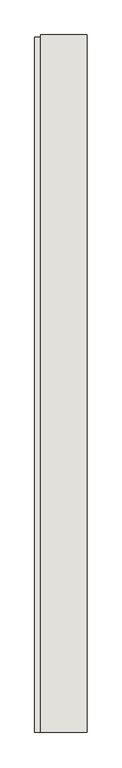
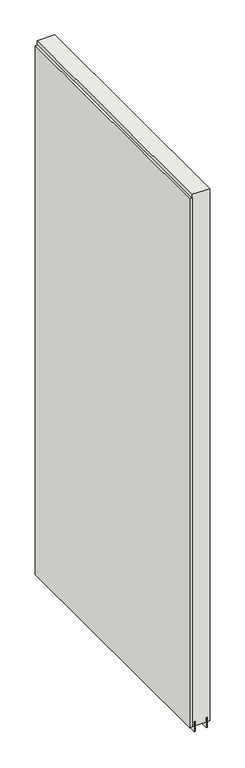
"""IFC4 building model written with IfcOpenShell, lengths in millimetres: wall geometry."""

from ifc_helpers import new_model, si_unit, frame, origin, place, context, project, spatial, polyline, outline, extrude, source, transform, mapped, element, save


def wall_36207bd6(model_context):
    return source(origin(), model_context, "Body", "SweptSolid", [
        extrude(outline(polyline([(48920.373965, -45575.2348844), (48920.373965, -45577.7748844), (48917.833965, -45577.7748844), (48917.833965, -45575.2348844), (48920.373965, -45575.2348844)])), frame((0.0, 0.0, 4419.6), z_axis=(0.0, 0.0, 1.0), x_axis=(1.0, 0.0, 0.0)), (0.0, 0.0, 1.0), 2.54),
        extrude(outline(polyline([(48868.303965, -46794.8986122), (48868.303965, -45579.6986042), (48881.003965, -45579.6986042), (48881.003965, -46794.8986122), (48868.303965, -46794.8986122)])), frame((0.0, 0.0, 4445.0), z_axis=(0.0, 0.0, 1.0), x_axis=(1.0, 0.0, 0.0)), (0.0, 0.0, 1.0), 2545.0498756),
        extrude(outline(polyline([(48894.010924, -45575.246035), (48894.010924, -46794.446035), (48888.9290444, -46794.446035), (48888.9290444, -45575.246035), (48894.010924, -45575.246035)])), frame((0.0, 0.0, 4418.6602), z_axis=(0.0, 0.0, 1.0), x_axis=(1.0, 0.0, 0.0)), (0.0, 0.0, 1.0), 47.625),
        extrude(outline(polyline([(48894.010924, -45575.246035), (48894.010924, -46794.446035), (48888.9290444, -46794.446035), (48888.9290444, -45575.246035), (48894.010924, -45575.246035)])), frame((0.0, 0.0, 4418.6602), z_axis=(0.0, 0.0, 1.0), x_axis=(1.0, 0.0, 0.0)), (0.0, 0.0, 1.0), 47.625),
        extrude(outline(polyline([(48944.2001048, -46794.446035), (48944.2001048, -45575.246035), (48949.2540444, -45575.246035), (48949.2540444, -46794.446035), (48944.2001048, -46794.446035)])), frame((0.0, 0.0, 4418.6602), z_axis=(0.0, 0.0, 1.0), x_axis=(1.0, 0.0, 0.0)), (0.0, 0.0, 1.0), 47.625),
        extrude(outline(polyline([(48944.2001048, -46794.446035), (48944.2001048, -45575.246035), (48949.2540444, -45575.246035), (48949.2540444, -46794.446035), (48944.2001048, -46794.446035)])), frame((0.0, 0.0, 4418.6602), z_axis=(0.0, 0.0, 1.0), x_axis=(1.0, 0.0, 0.0)), (0.0, 0.0, 1.0), 47.625),
        extrude(outline(polyline([(48878.4645746, -45575.246035), (48959.74333, -45575.246035), (48959.74333, -46794.446035), (48878.4645746, -46794.446035), (48878.4645746, -45575.246035)])), frame((0.0, 0.0, 4445.0), z_axis=(0.0, 0.0, 1.0), x_axis=(1.0, 0.0, 0.0)), (0.0, 0.0, 1.0), 2562.4536762),
    ])


if __name__ == "__main__":
    model = new_model("IFC4")
    model_context = context("Model", 3, world=origin())
    ifc_project = project(units=[si_unit("LENGTHUNIT", "METRE", prefix="MILLI")], contexts=[model_context])
    site = spatial("IfcSite", under=ifc_project)
    building = spatial("IfcBuilding", under=site)
    placement = place(None, origin())
    wall_shape = wall_36207bd6(model_context)
    element("IfcWall", 1, at=placement, inside=building, context=model_context, shape_type="MappedRepresentation", body=[
        mapped(wall_shape, transform((0.0, 0.0, 0.0), x_axis=(1.0, 0.0, 0.0), y_axis=(0.0, 1.0, 0.0), z_axis=(0.0, 0.0, 1.0))),
    ])
    save(model, "model.ifc")
